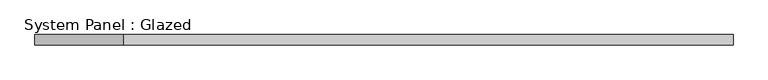
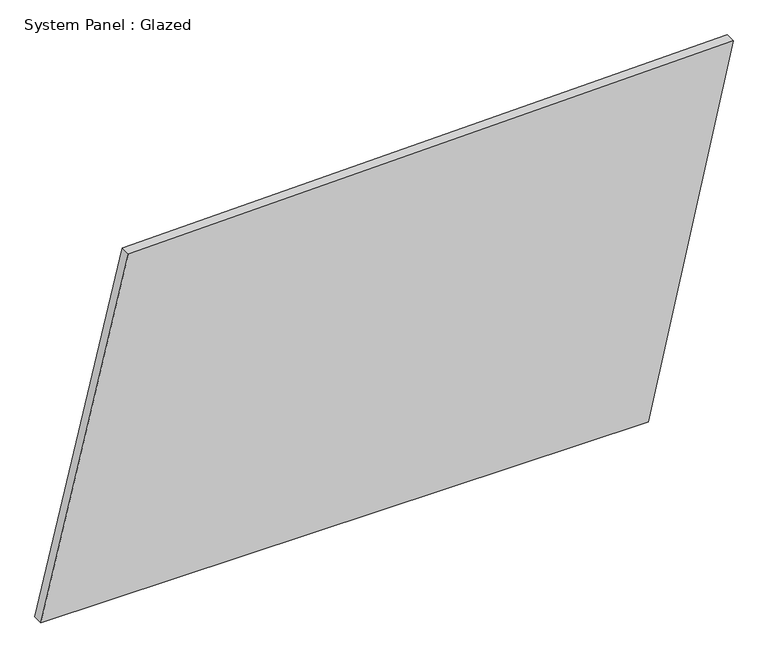
"""IFC4 building model written with IfcOpenShell, lengths in millimetres: plate geometry, System Panel : Glazed."""

import ifcopenshell
import ifcopenshell.guid

model = None  # the IFC model being written
_history = None  # IfcOwnerHistory: only IFC2X3 demands one
_inside = {}  # id of a spatial element -> (the spatial element, [elements in it])
_under = {}  # id of a project, library or spatial element -> (it, [spatial elements below it])
_declared = {}  # id of a project -> (the project, [libraries it declares])
_typed = {}  # id of a type object -> (the type object, [elements of that type])
_made_of = {}  # id of a material, layer set ... -> (it, [elements and type objects made of it])


def new_model(schema):
    """Start an empty IFC model of exactly this schema.

    Asked for "IFC4X3", IfcOpenShell would pick the latest addendum, in which some entities
    have other attributes; the version numbers below select the first issue.
    IFC2X3 requires an IfcOwnerHistory on every rooted entity: one is made here for all.
    """
    global model, _history
    if schema == "IFC4X3":
        model = ifcopenshell.file(schema_version=(4, 3, 0, 0))
    else:
        model = ifcopenshell.file(schema=schema)
    _inside.clear()
    _under.clear()
    _declared.clear()
    _typed.clear()
    _made_of.clear()
    _history = None
    if model.schema == "IFC2X3":
        org = make("IfcOrganization", Name="unknown")
        user = make(
            "IfcPersonAndOrganization",
            ThePerson=make("IfcPerson", FamilyName="unknown"),
            TheOrganization=org,
        )
        app = make(
            "IfcApplication",
            ApplicationDeveloper=org,
            Version="unknown",
            ApplicationFullName="unknown",
            ApplicationIdentifier="unknown",
        )
        _history = make(
            "IfcOwnerHistory",
            OwningUser=user,
            OwningApplication=app,
            ChangeAction="ADDED",
            CreationDate=0,
        )
    return model


def make(cls, **values):
    """One entity of the class cls with the attributes given. An attribute that is None is left unset."""
    return model.create_entity(
        cls, **{name: value for name, value in values.items() if value is not None}
    )


def rooted(cls, **values):
    """An entity with a GlobalId (a new one), such as an element, a storey or a relation."""
    return make(cls, GlobalId=ifcopenshell.guid.new(), OwnerHistory=_history, **values)


def si_unit(unit_type, name, prefix=None):
    """IfcSIUnit, for example si_unit("LENGTHUNIT", "METRE", prefix="MILLI")."""
    return make("IfcSIUnit", UnitType=unit_type, Prefix=prefix, Name=name)


def assignment(units):
    """IfcUnitAssignment: the units of a project."""
    return None if units is None else make("IfcUnitAssignment", Units=units)


def point(xyz):
    """IfcCartesianPoint."""
    return None if xyz is None else make("IfcCartesianPoint", Coordinates=xyz)


def direction(xyz):
    """IfcDirection."""
    return None if xyz is None else make("IfcDirection", DirectionRatios=xyz)


def frame(location, z_axis=None, x_axis=None):
    """IfcAxis2Placement3D, a coordinate frame: its origin and axes. An axis left out is left unset."""
    return make(
        "IfcAxis2Placement3D",
        Location=point(location),
        Axis=direction(z_axis),
        RefDirection=direction(x_axis),
    )


def origin():
    """The frame at (0, 0, 0) with its axes left unset."""
    return frame((0.0, 0.0, 0.0))


def place(relative_to, where):
    """IfcLocalPlacement: puts the frame where relative to a parent placement (None: the world)."""
    return make(
        "IfcLocalPlacement", PlacementRelTo=relative_to, RelativePlacement=where
    )


def context(
    kind, dimensions, precision=None, world=None, true_north=None, identifier=None
):
    """IfcGeometricRepresentationContext, for example the 3D "Model" context."""
    return make(
        "IfcGeometricRepresentationContext",
        ContextIdentifier=identifier,
        ContextType=kind,
        CoordinateSpaceDimension=dimensions,
        Precision=precision,
        WorldCoordinateSystem=world,
        TrueNorth=true_north,
    )


def project(units=None, contexts=None):
    """IfcProject with its units and contexts."""
    return rooted(
        "IfcProject",
        Name="project",
        RepresentationContexts=contexts,
        UnitsInContext=assignment(units),
    )


def spatial(cls, under=None, at=None, **own):
    """A site, building, storey or space (cls), placed at a placement, below another one or the project."""
    s = rooted(cls, ObjectPlacement=at, **own)
    if under is not None:
        _under.setdefault(under.id(), (under, []))[1].append(s)
    return s


def polyline(points):
    """IfcPolyline through the points."""
    return make("IfcPolyline", Points=[point(p) for p in points])


def outline(outer, holes=None, kind="AREA"):
    """IfcArbitraryClosedProfileDef: a profile drawn as a closed curve; with holes, ...WithVoids."""
    if holes is None:
        return make("IfcArbitraryClosedProfileDef", ProfileType=kind, OuterCurve=outer)
    return make(
        "IfcArbitraryProfileDefWithVoids",
        ProfileType=kind,
        OuterCurve=outer,
        InnerCurves=holes,
    )


def extrude(swept, where, along, depth):
    """IfcExtrudedAreaSolid: the profile swept, set in the frame where, extruded along a direction by depth."""
    return make(
        "IfcExtrudedAreaSolid",
        SweptArea=swept,
        Position=where,
        ExtrudedDirection=direction(along),
        Depth=depth,
    )


def shape(context_of_items, identifier, shape_type, items):
    """IfcShapeRepresentation: the items that make up one representation, for example the "Body"."""
    return make(
        "IfcShapeRepresentation",
        ContextOfItems=context_of_items,
        RepresentationIdentifier=identifier,
        RepresentationType=shape_type,
        Items=items,
    )


def source(mapping_origin, context_of_items, identifier, shape_type, items):
    """IfcRepresentationMap: a shape defined once, which mapped items show again and again."""
    return make(
        "IfcRepresentationMap",
        MappingOrigin=mapping_origin,
        MappedRepresentation=shape(context_of_items, identifier, shape_type, items),
    )


def transform(
    local_origin,
    x_axis=None,
    y_axis=None,
    z_axis=None,
    scale=None,
    scale2=None,
    scale3=None,
    uniform=True,
):
    """IfcCartesianTransformationOperator3D, or its non-uniform kind. x_axis, y_axis, z_axis: its Axis1, 2, 3."""
    if uniform:
        return make(
            "IfcCartesianTransformationOperator3D",
            Axis1=direction(x_axis),
            Axis2=direction(y_axis),
            LocalOrigin=point(local_origin),
            Scale=scale,
            Axis3=direction(z_axis),
        )
    return make(
        "IfcCartesianTransformationOperator3DnonUniform",
        Axis1=direction(x_axis),
        Axis2=direction(y_axis),
        LocalOrigin=point(local_origin),
        Scale=scale,
        Axis3=direction(z_axis),
        Scale2=scale2,
        Scale3=scale3,
    )


def mapped(mapping_source, mapping_target):
    """IfcMappedItem: shows the shape of a source again, moved by a transform."""
    return make(
        "IfcMappedItem", MappingSource=mapping_source, MappingTarget=mapping_target
    )


def made_of(thing, what):
    """Note that an element or type object is made of a material, layer set ...; save() writes the relation."""
    if what is not None:
        _made_of.setdefault(what.id(), (what, []))[1].append(thing)
    return thing


def element(
    cls,
    number,
    at=None,
    inside=None,
    cuts=None,
    type_object=None,
    material=None,
    context=None,
    identifier="Body",
    shape_type=None,
    held_by="IfcProductDefinitionShape",
    body=None,
    shapes=None,
    **own,
):
    """One element of the class cls, such as IfcWall. Its Tag is "e" and its number.

    at: its placement. inside: the storey or other place that contains it. cuts: it is an
    opening in that element (IfcRelVoidsElement). A single representation is given by context,
    identifier, shape_type and body (its items); several are given by shapes. held_by: the class
    of the entity that holds the representations. save() writes the other relations.
    """
    e = rooted(cls, Tag="e%d" % number, ObjectPlacement=at, **own)
    if body is not None:
        shapes = [shape(context, identifier, shape_type, body)]
    if shapes is not None:
        e.Representation = make(held_by, Representations=shapes)
    if inside is not None:
        _inside.setdefault(inside.id(), (inside, []))[1].append(e)
    if cuts is not None:
        rooted(
            "IfcRelVoidsElement", RelatingBuildingElement=cuts, RelatedOpeningElement=e
        )
    if type_object is not None:
        _typed.setdefault(type_object.id(), (type_object, []))[1].append(e)
    return made_of(e, material)


def aggregate(whole, parts):
    """IfcRelAggregates: a whole, such as a stair, and the parts it consists of."""
    return rooted("IfcRelAggregates", RelatingObject=whole, RelatedObjects=parts)


def save(model, path):
    """Write the relations noted so far, then the file.

    IfcRelAggregates (storeys below a building ...), IfcRelContainedInSpatialStructure (elements
    in a storey), IfcRelDefinesByType, IfcRelAssociatesMaterial and IfcRelDeclares: one each for
    every whole, place, type object, material and project.
    """
    for whole, parts in _under.values():
        aggregate(whole, parts)
    for where, things in _inside.values():
        rooted(
            "IfcRelContainedInSpatialStructure",
            RelatedElements=things,
            RelatingStructure=where,
        )
    for kind, things in _typed.values():
        rooted("IfcRelDefinesByType", RelatedObjects=things, RelatingType=kind)
    for what, things in _made_of.values():
        rooted("IfcRelAssociatesMaterial", RelatedObjects=things, RelatingMaterial=what)
    for by, libraries in _declared.values():
        rooted("IfcRelDeclares", RelatingContext=by, RelatedDefinitions=libraries)
    model.write(path)


def system_panel_glazed_96181458(model_context):
    return source(origin(), model_context, "Body", "SweptSolid", [
        extrude(outline(polyline([(0.0, -843.9147675), (0.0, 636.7070482), (910.3047582, 843.9147675), (876.1472599, -630.6281077), (0.0, -843.9147675)])), frame((0.0, -49.5, 0.0), z_axis=(0.0, 1.0, 0.0), x_axis=(0.0, 0.0, 1.0)), (0.0, 0.0, 1.0), 25.0),
    ])


if __name__ == "__main__":
    model = new_model("IFC4")
    model_context = context("Model", 3, world=origin())
    ifc_project = project(units=[si_unit("LENGTHUNIT", "METRE", prefix="MILLI")], contexts=[model_context])
    site = spatial("IfcSite", under=ifc_project)
    building = spatial("IfcBuilding", under=site)
    placement = place(None, origin())
    system_panel_glazed_shape = system_panel_glazed_96181458(model_context)
    element("IfcPlate", 1, ObjectType="System Panel : Glazed", at=placement, inside=building, context=model_context, shape_type="MappedRepresentation", body=[
        mapped(system_panel_glazed_shape, transform((0.0, 0.0, 0.0), x_axis=(1.0, 0.0, 0.0), y_axis=(0.0, 1.0, 0.0), z_axis=(0.0, 0.0, 1.0))),
    ])
    save(model, "model.ifc")
